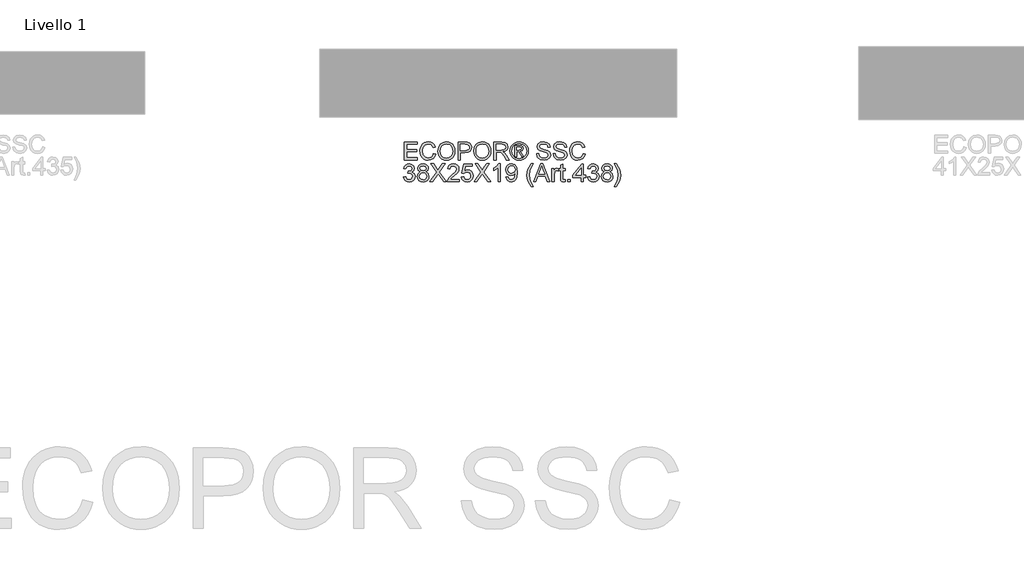
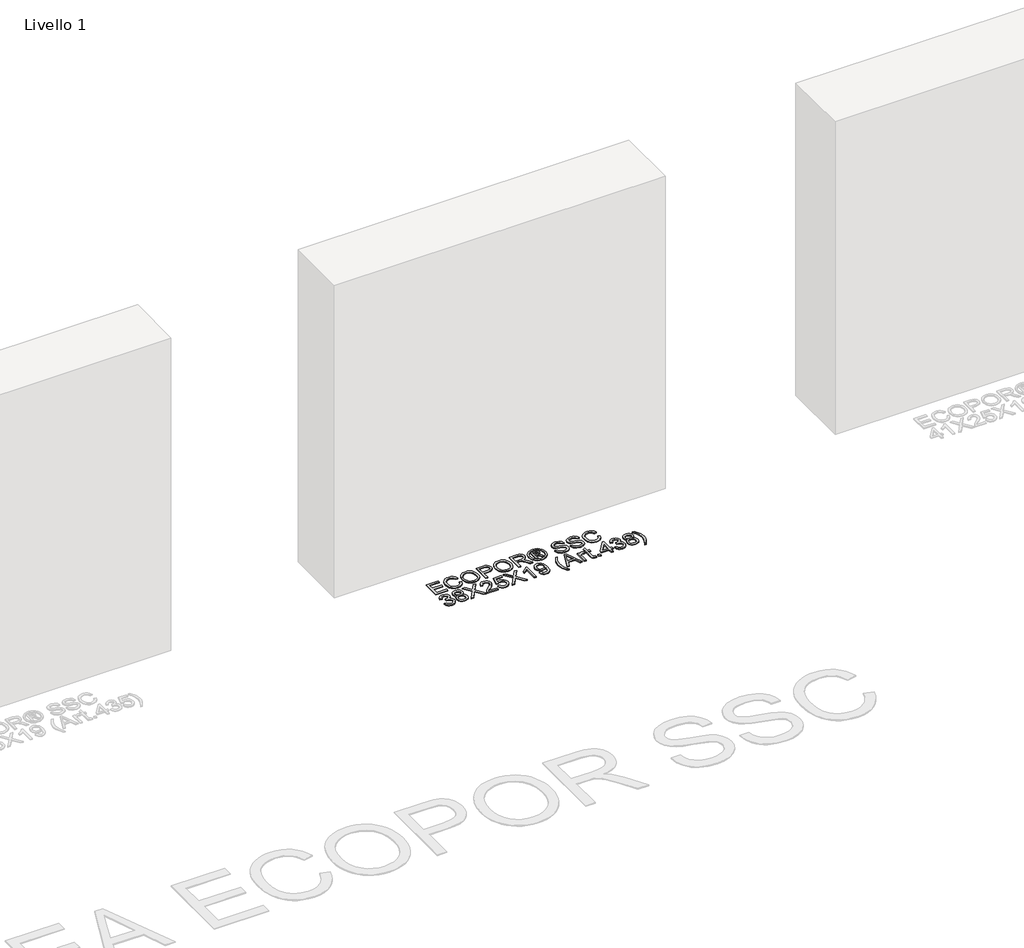
# One storey, part 7 of 10: 1 proxy.
"""IFC4 building model written with IfcOpenShell, lengths in millimetres."""

from ifc_helpers import new_model, si_unit, origin, origin_with_axes, place, context, project, spatial, polyline, outline, extrude, element, save

model = new_model("IFC4")

# Units and contexts
model_context = context("Model", 3, world=origin())
ifc_project = project(units=[si_unit("LENGTHUNIT", "METRE", prefix="MILLI")], contexts=[model_context])

# Site, building, storey
site = spatial("IfcSite", under=ifc_project)
building = spatial("IfcBuilding", under=site)
storey = spatial("IfcBuildingStorey", under=building, Name="Livello 1", Elevation=0.0)

# Proxy
placement = place(None, origin())
element("IfcBuildingElementProxy", 1, Name="100", ObjectType="100", at=placement, inside=storey, context=model_context, shape_type="SweptSolid", body=[
    extrude(outline(polyline([(1373.6382108, 104.7110435), (1373.6382108, 205.1673537), (1445.8411837, 205.1673537), (1445.8411837, 192.6103149), (1386.1952496, 192.6103149), (1386.1952496, 162.7873478), (1442.701924, 162.7873478), (1442.701924, 150.2303091), (1386.1952496, 150.2303091), (1386.1952496, 117.2680823), (1447.4108136, 117.2680823), (1447.4108136, 104.7110435), (1373.6382108, 104.7110435)])), origin_with_axes(), (0.0, 0.0, 1.0), 5.0),
    extrude(outline(polyline([(1536.8797148, 140.4201225), (1549.4367536, 137.182761), (1543.6426122, 122.5502546), (1534.5497955, 111.860217), (1522.6058934, 105.3211145), (1508.2584956, 103.1414137), (1493.6934343, 104.7907513), (1482.1266112, 109.7387641), (1473.2606551, 117.8137739), (1466.7981947, 128.8441024), (1461.5374822, 155.6994881), (1463.0243386, 170.3473228), (1467.4849078, 182.9963321), (1474.6861978, 193.2449113), (1484.3952168, 200.6914561), (1495.9099233, 205.2256017), (1508.5282757, 206.7369835), (1522.2962594, 204.7810776), (1533.6791414, 198.9133598), (1542.3213027, 189.4955807), (1547.8671237, 176.889491), (1535.310085, 173.8973841), (1525.0093891, 189.3361651), (1508.0377664, 194.1799448), (1488.3928678, 188.8088676), (1477.2950943, 174.3878934), (1474.094521, 155.7240135), (1477.8837055, 134.0925522), (1489.6804548, 120.2724519), (1507.0076968, 115.6984524), (1517.489268, 117.2558196), (1526.2233997, 121.9279209), (1532.8176844, 129.6657055), (1536.8797148, 140.4201225)])), origin_with_axes(), (0.0, 0.0, 1.0), 5.0),
    extrude(outline(polyline([(1561.9937923, 153.6148234), (1565.3415185, 175.8287646), (1575.384697, 192.6348404), (1590.7192448, 203.2114477), (1609.941079, 206.7369835), (1623.1173858, 205.0815145), (1634.9325293, 200.1151076), (1644.7427158, 192.1872506), (1651.904152, 181.6474315), (1656.2819477, 169.0045535), (1657.741213, 154.7675203), (1656.2053056, 140.3404148), (1651.5975836, 127.5197272), (1644.1724987, 116.961514), (1634.1845025, 109.3218312), (1622.4705267, 104.6865181), (1609.8675026, 103.1414137), (1596.4888608, 104.8489993), (1584.6062723, 109.9717561), (1574.8206112, 118.0467659), (1567.7327515, 128.6111105), (1561.9937923, 153.6148234)]), holes=[polyline([(1574.5508311, 153.4921961), (1577.0616257, 137.7775035), (1584.5940096, 125.8029446), (1595.915578, 118.2245755), (1609.7939262, 115.6984524), (1623.8746096, 118.2491009), (1635.2145721, 125.9010464), (1642.6917737, 138.2434874), (1645.1841742, 154.8656222), (1640.916743, 175.5896413), (1628.4455434, 189.3116397), (1610.0146554, 194.1799448), (1596.5072549, 191.834697), (1585.0232052, 184.7989539), (1577.1689246, 172.281769), (1574.5508311, 153.4921961)])]), origin_with_axes(), (0.0, 0.0, 1.0), 5.0),
    extrude(outline(polyline([(1675.0071413, 104.7110435), (1675.0071413, 205.1673537), (1712.2367992, 205.1673537), (1727.2463846, 204.2108605), (1739.4478041, 199.5142337), (1747.357267, 189.802149), (1750.3493739, 176.1046761), (1748.3290886, 164.2650072), (1742.2682327, 154.3996383), (1730.9344016, 147.7409742), (1713.0951905, 145.5214195), (1687.56418, 145.5214195), (1687.56418, 104.7110435), (1675.0071413, 104.7110435)]), holes=[polyline([(1687.56418, 158.0784583), (1713.8309545, 158.0784583), (1732.3231561, 162.689246), (1736.4250404, 168.2381327), (1737.7923351, 175.6632177), (1734.5672363, 186.0620154), (1726.0936877, 191.7519236), (1713.5366489, 192.6103149), (1687.56418, 192.6103149), (1687.56418, 158.0784583)])]), origin_with_axes(), (0.0, 0.0, 1.0), 5.0),
    extrude(outline(polyline([(1762.9064126, 153.6148234), (1766.2541388, 175.8287646), (1776.2973173, 192.6348404), (1791.6318651, 203.2114477), (1810.8536993, 206.7369835), (1824.0300061, 205.0815145), (1835.8451496, 200.1151076), (1845.6553361, 192.1872506), (1852.8167723, 181.6474315), (1857.194568, 169.0045535), (1858.6538333, 154.7675203), (1857.1179259, 140.3404148), (1852.5102039, 127.5197272), (1845.085119, 116.961514), (1835.0971228, 109.3218312), (1823.383147, 104.6865181), (1810.7801229, 103.1414137), (1797.4014811, 104.8489993), (1785.5188926, 109.9717561), (1775.7332315, 118.0467659), (1768.6453718, 128.6111105), (1762.9064126, 153.6148234)]), holes=[polyline([(1775.4634514, 153.4921961), (1777.974246, 137.7775035), (1785.5066299, 125.8029446), (1796.8281983, 118.2245755), (1810.7065465, 115.6984524), (1824.7872299, 118.2491009), (1836.1271924, 125.9010464), (1843.604394, 138.2434874), (1846.0967945, 154.8656222), (1841.8293633, 175.5896413), (1829.3581637, 189.3116397), (1810.9272757, 194.1799448), (1797.4198752, 191.834697), (1785.9358255, 184.7989539), (1778.0815449, 172.281769), (1775.4634514, 153.4921961)])]), origin_with_axes(), (0.0, 0.0, 1.0), 5.0),
    extrude(outline(polyline([(1875.9197616, 104.7110435), (1875.9197616, 205.1673537), (1919.2072097, 205.1673537), (1939.3058293, 202.4572896), (1950.2932383, 192.8678323), (1954.4012539, 177.6743059), (1952.6997996, 167.7782802), (1947.595437, 159.5745117), (1938.9348817, 153.5596411), (1926.5648496, 150.2303091), (1933.7017603, 144.8592319), (1943.8798288, 131.9343112), (1960.6307223, 104.7110435), (1946.0380698, 104.7110435), (1932.9659963, 125.5331645), (1923.5236917, 139.3164765), (1916.8895531, 145.8279879), (1910.917602, 148.2192208), (1903.6335385, 148.6606792), (1888.4768003, 148.6606792), (1888.4768003, 104.7110435), (1875.9197616, 104.7110435)]), holes=[polyline([(1888.4768003, 161.217718), (1916.5829848, 161.217718), (1930.9181198, 162.9958143), (1939.0605747, 168.6857225), (1941.8442151, 177.208322), (1936.5344516, 188.2693074), (1919.7467699, 192.6103149), (1888.4768003, 192.6103149), (1888.4768003, 161.217718)])]), origin_with_axes(), (0.0, 0.0, 1.0), 5.0),
    extrude(outline(polyline([(2017.2109732, 206.7369835), (2030.1052371, 205.0631204), (2042.6929327, 200.0415312), (2053.7508523, 191.9052077), (2062.0557884, 180.887142), (2067.2521216, 168.1645563), (2068.9842326, 154.9146731), (2067.276647, 141.7812859), (2062.1538903, 129.1629335), (2053.9501218, 118.1847216), (2042.999501, 109.9717561), (2030.3903457, 104.8489993), (2017.2109732, 103.1414137), (2004.0499948, 104.8489993), (1991.4469708, 109.9717561), (1980.487153, 118.1847216), (1972.2557934, 129.1629335), (1967.1054454, 141.7812859), (1965.3886628, 154.9146731), (1967.1299709, 168.1645563), (1972.3538952, 180.887142), (1980.6864224, 191.9052077), (1991.7535391, 200.0415312), (2004.3351033, 205.0631204), (2017.2109732, 206.7369835)]), holes=[polyline([(2017.2109732, 197.3192044), (1996.3888522, 191.8377627), (1987.3604149, 185.1760329), (1980.5331383, 176.153727), (1974.8064419, 154.9146731), (1980.4227737, 133.8595603), (1996.1435976, 118.1755245), (2017.2109732, 112.5591928), (2038.2906115, 118.1755245), (2053.9746472, 133.8595603), (2059.5664536, 154.9146731), (2053.8765454, 176.153727), (2047.0676628, 185.1760329), (2038.0208314, 191.8377627), (2017.2109732, 197.3192044)])]), origin_with_axes(), (0.0, 0.0, 1.0), 5.0),
    extrude(outline(polyline([(1993.642, 123.5466017), (1993.642, 186.3317955), (2013.9245607, 186.3317955), (2028.983197, 184.6027501), (2036.4021506, 178.5694854), (2039.1612656, 169.4092237), (2034.4033251, 157.4898471), (2021.7972354, 151.7999389), (2026.7023287, 148.4644755), (2035.2617164, 135.9319622), (2042.3005252, 123.5466017), (2031.7055238, 123.5466017), (2026.1872939, 133.503941), (2016.941193, 147.9249152), (2008.9213656, 150.2303091), (2003.0597791, 150.2303091), (2003.0597791, 123.5466017), (1993.642, 123.5466017)]), holes=[polyline([(2003.0597791, 159.6480881), (2014.9791557, 159.6480881), (2026.6287523, 162.0393211), (2029.7434865, 168.3791542), (2028.247433, 172.9408909), (2024.0903665, 175.9329978), (2014.2188663, 176.9140164), (2003.0597791, 176.9140164), (2003.0597791, 159.6480881)])]), origin_with_axes(), (0.0, 0.0, 1.0), 5.0),
    extrude(outline(polyline([(2114.5034982, 139.2429001), (2127.0605369, 139.2429001), (2131.1072389, 126.6735986), (2140.9910018, 118.7273475), (2156.0496382, 115.6984524), (2169.1707626, 117.9915836), (2177.6443113, 124.2946284), (2180.4279517, 132.7191261), (2178.3432871, 140.5550126), (2169.8084248, 146.2571835), (2151.5246896, 151.0519122), (2131.8430029, 157.2445924), (2121.1621623, 166.5887951), (2117.6427579, 179.0722575), (2121.9960281, 193.2847652), (2134.7124824, 203.315681), (2153.3273114, 206.7369835), (2173.1929391, 203.1562654), (2186.436691, 192.6348404), (2191.4153606, 176.9140164), (2178.8583219, 176.9140164), (2176.552928, 184.4065464), (2171.7459366, 189.8144117), (2153.8178207, 194.1799448), (2135.8406539, 189.8634627), (2130.1997966, 179.4401395), (2134.1974476, 170.7335989), (2154.7007375, 163.7193156), (2176.92081, 157.4162707), (2189.0731786, 147.2382022), (2192.9849905, 133.0379572), (2188.4845674, 118.016109), (2175.5351212, 107.0532256), (2156.5401475, 103.1414137), (2134.1116085, 107.3597939), (2119.9236262, 120.0639855), (2114.5034982, 139.2429001)])), origin_with_axes(), (0.0, 0.0, 1.0), 5.0),
    extrude(outline(polyline([(2207.1116591, 139.2429001), (2219.6686979, 139.2429001), (2223.7153998, 126.6735986), (2233.5991627, 118.7273475), (2248.6577991, 115.6984524), (2261.7789236, 117.9915836), (2270.2524722, 124.2946284), (2273.0361126, 132.7191261), (2270.951448, 140.5550126), (2262.4165857, 146.2571835), (2244.1328505, 151.0519122), (2224.4511638, 157.2445924), (2213.7703232, 166.5887951), (2210.2509188, 179.0722575), (2214.6041891, 193.2847652), (2227.3206434, 203.315681), (2245.9354723, 206.7369835), (2265.8011, 203.1562654), (2279.0448519, 192.6348404), (2284.0235215, 176.9140164), (2271.4664828, 176.9140164), (2269.1610889, 184.4065464), (2264.3540975, 189.8144117), (2246.4259816, 194.1799448), (2228.4488148, 189.8634627), (2222.8079575, 179.4401395), (2226.8056086, 170.7335989), (2247.3088984, 163.7193156), (2269.5289709, 157.4162707), (2281.6813395, 147.2382022), (2285.5931514, 133.0379572), (2281.0927283, 118.016109), (2268.1432821, 107.0532256), (2249.1483084, 103.1414137), (2226.7197694, 107.3597939), (2212.5317871, 120.0639855), (2207.1116591, 139.2429001)])), origin_with_axes(), (0.0, 0.0, 1.0), 5.0),
    extrude(outline(polyline([(2375.0620526, 140.4201225), (2387.6190914, 137.182761), (2381.82495, 122.5502546), (2372.7321333, 111.860217), (2360.7882312, 105.3211145), (2346.4408334, 103.1414137), (2331.8757721, 104.7907513), (2320.308949, 109.7387641), (2311.4429929, 117.8137739), (2304.9805325, 128.8441024), (2299.71982, 155.6994881), (2301.2066764, 170.3473228), (2305.6672456, 182.9963321), (2312.8685356, 193.2449113), (2322.5775546, 200.6914561), (2334.0922611, 205.2256017), (2346.7106135, 206.7369835), (2360.4785972, 204.7810776), (2371.8614793, 198.9133598), (2380.5036405, 189.4955807), (2386.0494615, 176.889491), (2373.4924228, 173.8973841), (2363.1917269, 189.3361651), (2346.2201042, 194.1799448), (2326.5752057, 188.8088676), (2315.4774321, 174.3878934), (2312.2768588, 155.7240135), (2316.0660433, 134.0925522), (2327.8627926, 120.2724519), (2345.1900346, 115.6984524), (2355.6716058, 117.2558196), (2364.4057375, 121.9279209), (2371.0000223, 129.6657055), (2375.0620526, 140.4201225)])), origin_with_axes(), (0.0, 0.0, 1.0), 5.0),
    extrude(outline(polyline([(1368.9293213, 9.4199331), (1381.48636, 10.9895629), (1388.4148043, -2.2296634), (1401.3765132, -6.2763654), (1409.9849519, -4.8845452), (1416.6313533, -0.7090845), (1422.296736, 13.0742275), (1416.6804042, 26.060462), (1402.4065828, 31.1985472), (1393.6019404, 29.8251211), (1394.999892, 42.3821598), (1397.0109802, 42.235007), (1411.2602762, 45.8402506), (1416.0059539, 50.4142501), (1417.5878465, 56.9257614), (1413.0015843, 66.7482106), (1401.1803095, 70.6354971), (1389.2118819, 66.7114224), (1383.0559899, 54.9391986), (1370.4989511, 56.5088284), (1374.1961652, 67.7844116), (1380.7751215, 76.2027779), (1389.7759677, 81.4450964), (1400.7388511, 83.1925358), (1415.8833266, 79.7467078), (1426.4783281, 70.3289287), (1430.1448853, 57.6615254), (1426.6622691, 46.0855052), (1416.3615732, 37.7713722), (1430.0467834, 29.1874589), (1434.8537748, 12.8534984), (1432.4502791, 0.6152906), (1425.239792, -9.6118288), (1414.3566163, -16.5280103), (1400.9350549, -18.8334042), (1388.794949, -16.8652355), (1378.9111861, -10.9607295), (1372.0379241, -1.9292265), (1368.9293213, 9.4199331)])), origin_with_axes(), (0.0, 0.0, 1.0), 5.0),
    extrude(outline(polyline([(1464.1371816, 38.0656778), (1452.6960516, 45.8647761), (1448.9804434, 58.0048819), (1451.0037944, 67.8211998), (1457.0738473, 75.9329978), (1466.5100205, 81.3776513), (1478.6317322, 83.1925358), (1490.8270204, 81.3347318), (1500.3858209, 75.7613195), (1506.5662384, 67.5207628), (1508.6263776, 57.6615254), (1504.9598204, 45.8279879), (1493.8375214, 38.0656778), (1507.1916378, 28.218703), (1511.7656373, 11.9705816), (1509.4970316, -0.0346342), (1502.6912147, -9.9551853), (1492.1820524, -16.6138495), (1478.8034105, -18.8334042), (1465.4247686, -16.6046524), (1454.9156063, -9.9183971), (1448.1097894, 0.0971902), (1445.8411837, 12.3139381), (1450.5991242, 28.9422043), (1464.1371816, 38.0656778)]), holes=[polyline([(1461.5374822, 57.6369999), (1465.9888543, 47.7777624), (1478.9505633, 43.9517897), (1491.6547549, 47.753237), (1496.0693388, 57.0729142), (1491.5076021, 66.7236852), (1478.8034105, 70.6354971), (1466.0624307, 66.8095243), (1461.5374822, 57.6369999)]), polyline([(1458.3982225, 12.7553965), (1460.4951499, 3.3008292), (1467.9141034, -3.7747678), (1478.9015124, -6.2763654), (1487.4486374, -4.9611873), (1493.8620468, -1.0156529), (1499.2085985, 12.362989), (1493.6903686, 25.9991483), (1487.1298063, 30.0458503), (1478.4845794, 31.3947509), (1470.0570161, 30.0642444), (1463.707986, 26.0727247), (1458.3982225, 12.7553965)])]), origin_with_axes(), (0.0, 0.0, 1.0), 5.0),
    extrude(outline(polyline([(1516.4745268, -17.2637743), (1555.2002382, 37.4770666), (1522.7530462, 83.1925358), (1537.8116825, 83.1925358), (1556.083155, 57.4653216), (1562.239047, 47.4344059), (1569.4495341, 57.6369999), (1587.5248028, 83.1925358), (1602.8041683, 83.1925358), (1570.3569764, 37.3299138), (1609.0826877, -17.2637743), (1594.0240514, -17.2637743), (1568.2232608, 19.1320177), (1562.8521837, 26.6858614), (1556.9415463, 18.3962537), (1531.7538923, -17.2637743), (1516.4745268, -17.2637743)])), origin_with_axes(), (0.0, 0.0, 1.0), 5.0),
    extrude(outline(polyline([(1681.2856606, -4.7067356), (1681.2856606, -17.2637743), (1615.3612071, -17.2637743), (1616.7101078, -8.6062847), (1624.3375278, 4.7233063), (1640.0583517, 19.2791705), (1661.738864, 40.1993933), (1667.158992, 54.4241638), (1662.0454323, 65.9388703), (1648.6913159, 70.6354971), (1634.7731137, 66.0492349), (1629.4878757, 53.3695688), (1616.930837, 54.9391986), (1619.9750605, 67.0854358), (1626.5570825, 75.9575233), (1636.3335465, 81.3837827), (1648.961096, 83.1925358), (1661.680616, 81.1814476), (1671.4386859, 75.1481829), (1677.6466946, 66.135074), (1679.7160308, 55.1844533), (1677.4842134, 43.2773394), (1670.0652598, 30.9655552), (1652.0758302, 13.7609406), (1637.6303306, 1.6821484), (1631.9649478, -4.7067356), (1681.2856606, -4.7067356)])), origin_with_axes(), (0.0, 0.0, 1.0), 5.0),
    extrude(outline(polyline([(1693.8426994, 9.4199331), (1706.3997382, 10.9895629), (1712.7273085, -1.9476206), (1725.848433, -6.2763654), (1734.8492791, -4.7711149), (1741.5937824, -0.2553634), (1745.8060312, 6.7497229), (1747.2101142, 15.7229779), (1741.9494017, 30.6344615), (1735.3428542, 34.7363457), (1726.0446367, 36.1036404), (1715.0204396, 33.9208739), (1707.969368, 28.2554912), (1695.4123293, 29.8251211), (1706.3997382, 81.622906), (1755.0582634, 81.622906), (1755.0582634, 69.0658672), (1716.5532812, 69.0658672), (1711.1822041, 41.4011412), (1720.1523934, 46.8457947), (1729.5517784, 48.6606792), (1741.2841484, 46.4104677), (1751.0238242, 39.6598331), (1757.5813208, 29.3713999), (1759.767153, 16.5077928), (1757.7989843, 3.9507541), (1751.8944783, -6.7914002), (1740.5882383, -15.8229032), (1725.7993821, -18.8334042), (1713.4661382, -16.898958), (1703.6406232, -11.0956195), (1696.905317, -2.0978391), (1693.8426994, 9.4199331)])), origin_with_axes(), (0.0, 0.0, 1.0), 5.0),
    extrude(outline(polyline([(1764.4760425, -17.2637743), (1803.2017538, 37.4770666), (1770.7545619, 83.1925358), (1785.8131982, 83.1925358), (1804.0846706, 57.4653216), (1810.2405627, 47.4344059), (1817.4510498, 57.6369999), (1835.5263185, 83.1925358), (1850.805684, 83.1925358), (1818.358492, 37.3299138), (1857.0842034, -17.2637743), (1842.0255671, -17.2637743), (1816.2247765, 19.1320177), (1810.8536993, 26.6858614), (1804.943062, 18.3962537), (1779.755408, -17.2637743), (1764.4760425, -17.2637743)])), origin_with_axes(), (0.0, 0.0, 1.0), 5.0),
    extrude(outline(polyline([(1912.021248, -17.2637743), (1899.4642093, -17.2637743), (1899.4642093, 61.0215143), (1887.5693581, 52.5479656), (1874.3501317, 46.2081326), (1874.3501317, 58.0784583), (1892.7564942, 69.8261567), (1903.9278441, 83.1925358), (1912.021248, 83.1925358), (1912.021248, -17.2637743)])), origin_with_axes(), (0.0, 0.0, 1.0), 5.0),
    extrude(outline(polyline([(1943.4138449, 7.8503032), (1955.9708837, 9.4199331), (1961.611741, -2.5607572), (1972.3048443, -6.2763654), (1982.4706501, -3.8851324), (1989.3623061, 2.5037516), (1993.4703218, 13.4175841), (1995.2852063, 27.9857111), (1995.2116299, 30.4382577), (1985.1684514, 20.9223768), (1971.397402, 17.2680823), (1959.9470749, 19.4998997), (1950.4158656, 26.195352), (1943.9871277, 36.5389675), (1941.8442151, 49.7152743), (1944.091361, 63.3269081), (1950.8327985, 73.995486), (1960.9587504, 80.8932734), (1973.3594393, 83.1925358), (1991.250767, 77.944086), (2003.5625512, 62.9835516), (2007.7686686, 34.8773671), (2003.5748139, 4.3799497), (1998.3600866, -5.6111121), (1991.1036143, -12.8982413), (1982.1180965, -17.3496135), (1971.7162331, -18.8334042), (1960.9802102, -17.082899), (1952.4146911, -11.8313835), (1946.4243459, -3.4099515), (1943.4138449, 7.8503032)]), holes=[polyline([(1995.2116299, 50.0095799), (1993.8565978, 58.5199167), (1989.7915018, 65.0682162), (1983.4823256, 69.2436768), (1975.3950531, 70.6354971), (1967.0073436, 69.1363779), (1960.2873658, 64.6390205), (1955.8727818, 57.7565615), (1954.4012539, 49.1021376), (1955.7930741, 41.3428932), (1959.9685347, 35.1839355), (1966.5229656, 31.1648247), (1975.0516965, 29.8251211), (1989.5339844, 35.1839355), (1993.7922185, 41.5697538), (1995.2116299, 50.0095799)])]), origin_with_axes(), (0.0, 0.0, 1.0), 5.0),
    extrude(outline(polyline([(2086.2501609, -45.5171115), (2068.4201469, -16.0620265), (2062.9570993, 1.1180627), (2061.1360834, 18.9112885), (2066.5807369, 49.4454941), (2086.2501609, 83.1925358), (2095.66794, 83.1925358), (2083.9202416, 63.3023826), (2076.8569073, 44.0253661), (2073.6931222, 18.8377121), (2079.1868266, -13.3519624), (2095.66794, -45.5171115), (2086.2501609, -45.5171115)])), origin_with_axes(), (0.0, 0.0, 1.0), 5.0),
    extrude(outline(polyline([(2098.0959612, -17.2637743), (2138.1950987, 83.1925358), (2148.888202, 83.1925358), (2188.9873395, -17.2637743), (2175.7190622, -17.2637743), (2164.2166184, 14.1288226), (2122.8421567, 14.1288226), (2111.3642385, -17.2637743), (2098.0959612, -17.2637743)]), holes=[polyline([(2127.4529444, 26.6858614), (2159.6303562, 26.6858614), (2150.5804592, 51.383006), (2143.5416503, 70.6354971), (2137.2876564, 53.541247), (2127.4529444, 26.6858614)])]), origin_with_axes(), (0.0, 0.0, 1.0), 5.0),
    extrude(outline(polyline([(2200.8331397, -17.2637743), (2200.8331397, 56.5088284), (2211.8205486, 56.5088284), (2211.8205486, 45.5949959), (2219.6196469, 55.6504371), (2227.4677962, 58.0784583), (2240.0738859, 54.2034346), (2235.8800311, 42.9462456), (2227.0508632, 45.5214195), (2219.9507407, 43.0443474), (2215.4257922, 36.1772168), (2213.3901785, 21.510988), (2213.3901785, -17.2637743), (2200.8331397, -17.2637743)])), origin_with_axes(), (0.0, 0.0, 1.0), 5.0),
    extrude(outline(polyline([(2274.6057425, -6.7914002), (2276.1753723, -17.6316563), (2266.7821187, -18.8334042), (2256.2606936, -16.7487395), (2251.0122438, -11.2795605), (2249.4916649, 2.9697354), (2249.4916649, 43.9517897), (2240.0738859, 43.9517897), (2240.0738859, 56.5088284), (2249.4916649, 56.5088284), (2249.4916649, 74.4369443), (2262.0487037, 81.8191097), (2262.0487037, 56.5088284), (2274.6057425, 56.5088284), (2274.6057425, 43.9517897), (2262.0487037, 43.9517897), (2262.0487037, 3.3376174), (2262.7108913, -3.1371057), (2264.8568696, -5.4302368), (2269.1365635, -6.2763654), (2274.6057425, -6.7914002)])), origin_with_axes(), (0.0, 0.0, 1.0), 5.0),
    extrude(outline(polyline([(2290.3020409, -17.2637743), (2290.3020409, -4.7067356), (2302.8590797, -4.7067356), (2302.8590797, -17.2637743), (2290.3020409, -17.2637743)])), origin_with_axes(), (0.0, 0.0, 1.0), 5.0),
    extrude(outline(polyline([(2364.0746437, -17.2637743), (2364.0746437, 6.2806734), (2318.5553782, 6.2806734), (2318.5553782, 18.8377121), (2367.2139034, 81.622906), (2376.6316825, 81.622906), (2376.6316825, 18.8377121), (2389.1887212, 18.8377121), (2389.1887212, 6.2806734), (2376.6316825, 6.2806734), (2376.6316825, -17.2637743), (2364.0746437, -17.2637743)]), holes=[polyline([(2364.0746437, 18.8377121), (2364.0746437, 57.6369999), (2334.006422, 18.8377121), (2364.0746437, 18.8377121)])]), origin_with_axes(), (0.0, 0.0, 1.0), 5.0),
    extrude(outline(polyline([(2400.1761302, 9.4199331), (2412.7331689, 10.9895629), (2419.6616132, -2.2296634), (2432.6233221, -6.2763654), (2441.2317608, -4.8845452), (2447.8781622, -0.7090845), (2453.5435449, 13.0742275), (2447.9272131, 26.060462), (2433.6533917, 31.1985472), (2424.8487493, 29.8251211), (2426.2467009, 42.3821598), (2428.2577891, 42.235007), (2442.5070851, 45.8402506), (2447.2527628, 50.4142501), (2448.8346554, 56.9257614), (2444.2483932, 66.7482106), (2432.4271184, 70.6354971), (2420.4586908, 66.7114224), (2414.3027988, 54.9391986), (2401.74576, 56.5088284), (2405.4429741, 67.7844116), (2412.0219304, 76.2027779), (2421.0227765, 81.4450964), (2431.98566, 83.1925358), (2447.1301355, 79.7467078), (2457.7251369, 70.3289287), (2461.3916942, 57.6615254), (2457.9090779, 46.0855052), (2447.6083821, 37.7713722), (2461.2935923, 29.1874589), (2466.1005837, 12.8534984), (2463.697088, 0.6152906), (2456.4866009, -9.6118288), (2445.6034252, -16.5280103), (2432.1818637, -18.8334042), (2420.0417579, -16.8652355), (2410.157995, -10.9607295), (2403.284733, -1.9292265), (2400.1761302, 9.4199331)])), origin_with_axes(), (0.0, 0.0, 1.0), 5.0),
    extrude(outline(polyline([(2495.3839905, 38.0656778), (2483.9428605, 45.8647761), (2480.2272523, 58.0048819), (2482.2506033, 67.8211998), (2488.3206562, 75.9329978), (2497.7568294, 81.3776513), (2509.8785411, 83.1925358), (2522.0738293, 81.3347318), (2531.6326298, 75.7613195), (2537.8130473, 67.5207628), (2539.8731865, 57.6615254), (2536.2066292, 45.8279879), (2525.0843302, 38.0656778), (2538.4384467, 28.218703), (2543.0124461, 11.9705816), (2540.7438405, -0.0346342), (2533.9380236, -9.9551853), (2523.4288613, -16.6138495), (2510.0502194, -18.8334042), (2496.6715775, -16.6046524), (2486.1624152, -9.9183971), (2479.3565982, 0.0971902), (2477.0879926, 12.3139381), (2481.8459331, 28.9422043), (2495.3839905, 38.0656778)]), holes=[polyline([(2492.7842911, 57.6369999), (2497.2356632, 47.7777624), (2510.1973722, 43.9517897), (2522.9015637, 47.753237), (2527.3161477, 57.0729142), (2522.7544109, 66.7236852), (2510.0502194, 70.6354971), (2497.3092396, 66.8095243), (2492.7842911, 57.6369999)]), polyline([(2489.6450314, 12.7553965), (2491.7419588, 3.3008292), (2499.1609123, -3.7747678), (2510.1483212, -6.2763654), (2518.6954463, -4.9611873), (2525.1088557, -1.0156529), (2530.4554074, 12.362989), (2524.9371775, 25.9991483), (2518.3766152, 30.0458503), (2509.7313883, 31.3947509), (2501.3038249, 30.0642444), (2494.9547948, 26.0727247), (2489.6450314, 12.7553965)])]), origin_with_axes(), (0.0, 0.0, 1.0), 5.0),
    extrude(outline(polyline([(2560.2783745, -45.5171115), (2550.8605954, -45.5171115), (2567.3417088, -13.3519624), (2572.8354132, 18.8377121), (2569.6716281, 43.8046369), (2562.6818702, 63.1061789), (2550.8605954, 83.1925358), (2560.2783745, 83.1925358), (2579.9477985, 49.4454941), (2585.392452, 18.9112885), (2583.5622391, 1.1180627), (2578.0716003, -16.0620265), (2560.2783745, -45.5171115)])), origin_with_axes(), (0.0, 0.0, 1.0), 5.0),
])

save(model, "model.ifc")
